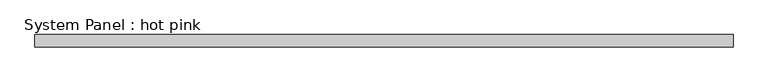
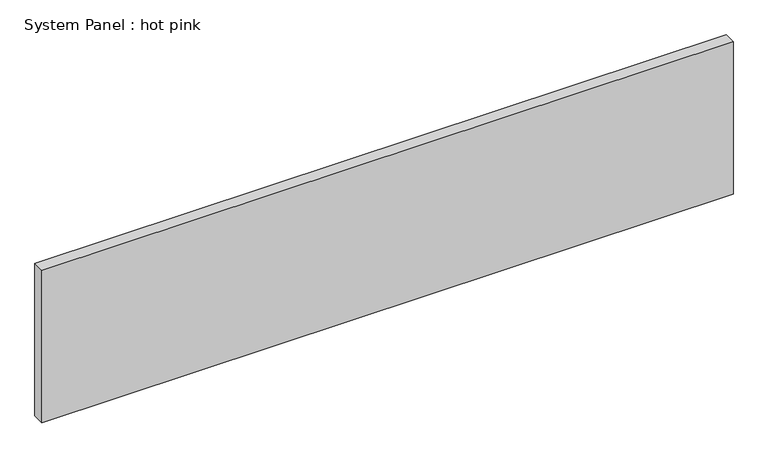
"""IFC4 building model written with IfcOpenShell, lengths in millimetres: plate geometry, System Panel : hot pink."""

from ifc_helpers import new_model, si_unit, origin, origin_with_axes, place, context, project, spatial, polyline, outline, extrude, source, transform, mapped, element, save


def system_panel_hot_pink_4ca23149(model_context):
    return source(origin(), model_context, "Body", "SweptSolid", [
        extrude(outline(polyline([(1822.6161577, -19.05), (-1822.6161577, -19.05), (-1822.6161577, 44.45), (1822.6161577, 44.45), (1822.6161577, -19.05)])), origin_with_axes(), (0.0, 0.0, 1.0), 850.9),
    ])


if __name__ == "__main__":
    model = new_model("IFC4")
    model_context = context("Model", 3, world=origin())
    ifc_project = project(units=[si_unit("LENGTHUNIT", "METRE", prefix="MILLI")], contexts=[model_context])
    site = spatial("IfcSite", under=ifc_project)
    building = spatial("IfcBuilding", under=site)
    placement = place(None, origin())
    system_panel_hot_pink_shape = system_panel_hot_pink_4ca23149(model_context)
    element("IfcPlate", 1, ObjectType="System Panel : hot pink", at=placement, inside=building, context=model_context, shape_type="MappedRepresentation", body=[
        mapped(system_panel_hot_pink_shape, transform((0.0, 0.0, 0.0), x_axis=(1.0, 0.0, 0.0), y_axis=(0.0, 1.0, 0.0), z_axis=(0.0, 0.0, 1.0))),
    ])
    save(model, "model.ifc")
